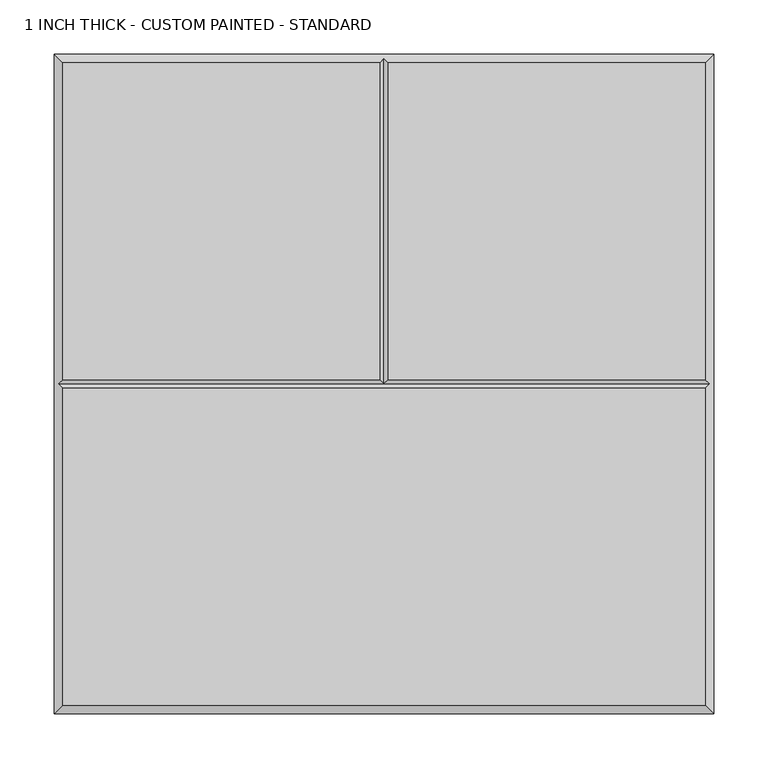
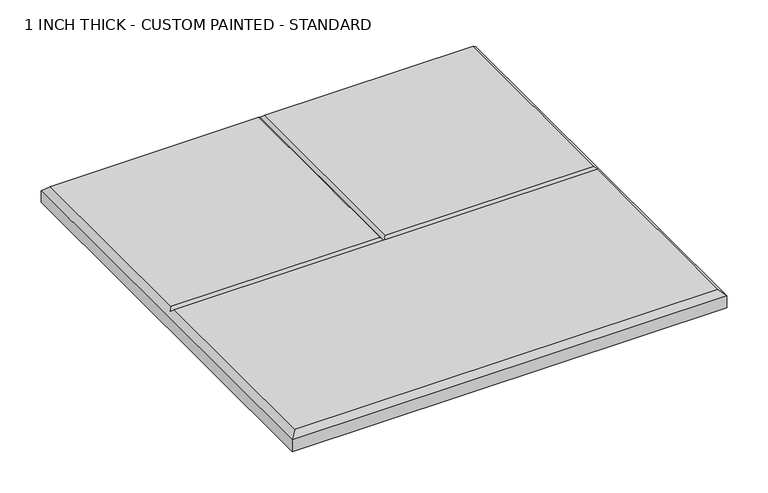
"""IFC4 building model written with IfcOpenShell, lengths in millimetres: proxy geometry, 1 INCH THICK - CUSTOM PAINTED - STANDARD."""

from ifc_helpers import new_model, si_unit, origin, place, context, project, spatial, faceted_brep, source, transform, mapped, element, save


def proxy_1_inch_thick_custom_painted_standard_6d0810c3(model_context):
    return source(origin(), model_context, "Body", "Brep", [
        faceted_brep([(-296.799, -296.799, 25.4), (296.799, -296.799, 25.4), (296.799, -4.0005127, 25.4), (-296.799, -4.0005127, 25.4), (-296.799, 296.799, 25.4), (-296.799, 4.0004873, 25.4), (-4.0005, 4.0004873, 25.4), (-4.0005, 296.799, 25.4), (296.799, 4.0004873, 25.4), (296.799, 296.799, 25.4), (4.0005, 296.799, 25.4), (4.0005, 4.0004873, 25.4), (-304.8, 304.8, 0.0), (304.8, 304.8, 0.0), (304.8, -304.8, 0.0), (-304.8, -304.8, 0.0), (-304.8, -304.8, 17.399), (-304.8, 304.8, 17.399), (304.8, -304.8, 17.399), (304.8, 304.8, 17.399), (0.0, 300.7995, 21.3995), (-300.7995, -1.27e-05, 21.3995), (300.7995, -1.27e-05, 21.3995), (0.0, -1.27e-05, 21.3995)], [[[0, 1, 2, 3]], [[4, 5, 6, 7]], [[8, 9, 10, 11]], [[12, 13, 14, 15]], [[12, 15, 16, 17]], [[15, 14, 18, 16]], [[14, 13, 19, 18]], [[13, 12, 17, 19]], [[17, 4, 7, 20, 10, 9, 19]], [[4, 17, 16, 0, 3, 21, 5]], [[0, 16, 18, 1]], [[19, 9, 8, 22, 2, 1, 18]], [[5, 21, 23, 6]], [[22, 8, 11, 23]], [[3, 2, 22, 23, 21]], [[20, 23, 11, 10]], [[23, 20, 7, 6]]]),
    ])


if __name__ == "__main__":
    model = new_model("IFC4")
    model_context = context("Model", 3, world=origin())
    ifc_project = project(units=[si_unit("LENGTHUNIT", "METRE", prefix="MILLI")], contexts=[model_context])
    site = spatial("IfcSite", under=ifc_project)
    building = spatial("IfcBuilding", under=site)
    placement = place(None, origin())
    proxy_1_inch_thick_custom_painted_standard_shape = proxy_1_inch_thick_custom_painted_standard_6d0810c3(model_context)
    element("IfcBuildingElementProxy", 1, Name="1 INCH THICK - CUSTOM PAINTED - STANDARD", ObjectType="1 INCH THICK - CUSTOM PAINTED - STANDARD", at=placement, inside=building, context=model_context, shape_type="MappedRepresentation", body=[
        mapped(proxy_1_inch_thick_custom_painted_standard_shape, transform((0.0, 0.0, 0.0), x_axis=(1.0, 0.0, 0.0), y_axis=(0.0, 1.0, 0.0), z_axis=(0.0, 0.0, 1.0))),
    ])
    save(model, "model.ifc")
